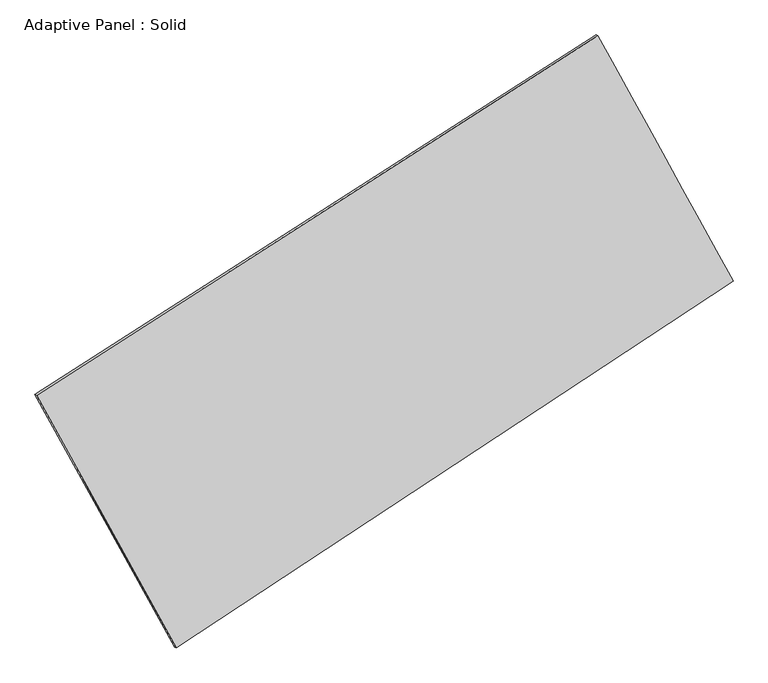
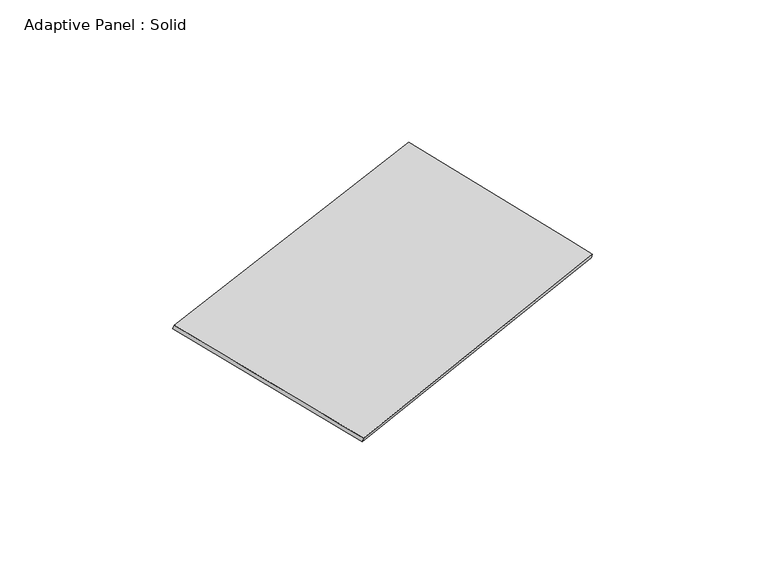
"""IFC4 building model written with IfcOpenShell, lengths in millimetres: plate geometry, Adaptive Panel : Solid."""

import ifcopenshell
import ifcopenshell.guid

model = None  # the IFC model being written
_history = None  # IfcOwnerHistory: only IFC2X3 demands one
_inside = {}  # id of a spatial element -> (the spatial element, [elements in it])
_under = {}  # id of a project, library or spatial element -> (it, [spatial elements below it])
_declared = {}  # id of a project -> (the project, [libraries it declares])
_typed = {}  # id of a type object -> (the type object, [elements of that type])
_made_of = {}  # id of a material, layer set ... -> (it, [elements and type objects made of it])


def new_model(schema):
    """Start an empty IFC model of exactly this schema.

    Asked for "IFC4X3", IfcOpenShell would pick the latest addendum, in which some entities
    have other attributes; the version numbers below select the first issue.
    IFC2X3 requires an IfcOwnerHistory on every rooted entity: one is made here for all.
    """
    global model, _history
    if schema == "IFC4X3":
        model = ifcopenshell.file(schema_version=(4, 3, 0, 0))
    else:
        model = ifcopenshell.file(schema=schema)
    _inside.clear()
    _under.clear()
    _declared.clear()
    _typed.clear()
    _made_of.clear()
    _history = None
    if model.schema == "IFC2X3":
        org = make("IfcOrganization", Name="unknown")
        user = make(
            "IfcPersonAndOrganization",
            ThePerson=make("IfcPerson", FamilyName="unknown"),
            TheOrganization=org,
        )
        app = make(
            "IfcApplication",
            ApplicationDeveloper=org,
            Version="unknown",
            ApplicationFullName="unknown",
            ApplicationIdentifier="unknown",
        )
        _history = make(
            "IfcOwnerHistory",
            OwningUser=user,
            OwningApplication=app,
            ChangeAction="ADDED",
            CreationDate=0,
        )
    return model


def make(cls, **values):
    """One entity of the class cls with the attributes given. An attribute that is None is left unset."""
    return model.create_entity(
        cls, **{name: value for name, value in values.items() if value is not None}
    )


def rooted(cls, **values):
    """An entity with a GlobalId (a new one), such as an element, a storey or a relation."""
    return make(cls, GlobalId=ifcopenshell.guid.new(), OwnerHistory=_history, **values)


def si_unit(unit_type, name, prefix=None):
    """IfcSIUnit, for example si_unit("LENGTHUNIT", "METRE", prefix="MILLI")."""
    return make("IfcSIUnit", UnitType=unit_type, Prefix=prefix, Name=name)


def assignment(units):
    """IfcUnitAssignment: the units of a project."""
    return None if units is None else make("IfcUnitAssignment", Units=units)


def point(xyz):
    """IfcCartesianPoint."""
    return None if xyz is None else make("IfcCartesianPoint", Coordinates=xyz)


def direction(xyz):
    """IfcDirection."""
    return None if xyz is None else make("IfcDirection", DirectionRatios=xyz)


def frame(location, z_axis=None, x_axis=None):
    """IfcAxis2Placement3D, a coordinate frame: its origin and axes. An axis left out is left unset."""
    return make(
        "IfcAxis2Placement3D",
        Location=point(location),
        Axis=direction(z_axis),
        RefDirection=direction(x_axis),
    )


def origin():
    """The frame at (0, 0, 0) with its axes left unset."""
    return frame((0.0, 0.0, 0.0))


def place(relative_to, where):
    """IfcLocalPlacement: puts the frame where relative to a parent placement (None: the world)."""
    return make(
        "IfcLocalPlacement", PlacementRelTo=relative_to, RelativePlacement=where
    )


def context(
    kind, dimensions, precision=None, world=None, true_north=None, identifier=None
):
    """IfcGeometricRepresentationContext, for example the 3D "Model" context."""
    return make(
        "IfcGeometricRepresentationContext",
        ContextIdentifier=identifier,
        ContextType=kind,
        CoordinateSpaceDimension=dimensions,
        Precision=precision,
        WorldCoordinateSystem=world,
        TrueNorth=true_north,
    )


def project(units=None, contexts=None):
    """IfcProject with its units and contexts."""
    return rooted(
        "IfcProject",
        Name="project",
        RepresentationContexts=contexts,
        UnitsInContext=assignment(units),
    )


def spatial(cls, under=None, at=None, **own):
    """A site, building, storey or space (cls), placed at a placement, below another one or the project."""
    s = rooted(cls, ObjectPlacement=at, **own)
    if under is not None:
        _under.setdefault(under.id(), (under, []))[1].append(s)
    return s


def shape(context_of_items, identifier, shape_type, items):
    """IfcShapeRepresentation: the items that make up one representation, for example the "Body"."""
    return make(
        "IfcShapeRepresentation",
        ContextOfItems=context_of_items,
        RepresentationIdentifier=identifier,
        RepresentationType=shape_type,
        Items=items,
    )


def source(mapping_origin, context_of_items, identifier, shape_type, items):
    """IfcRepresentationMap: a shape defined once, which mapped items show again and again."""
    return make(
        "IfcRepresentationMap",
        MappingOrigin=mapping_origin,
        MappedRepresentation=shape(context_of_items, identifier, shape_type, items),
    )


def transform(
    local_origin,
    x_axis=None,
    y_axis=None,
    z_axis=None,
    scale=None,
    scale2=None,
    scale3=None,
    uniform=True,
):
    """IfcCartesianTransformationOperator3D, or its non-uniform kind. x_axis, y_axis, z_axis: its Axis1, 2, 3."""
    if uniform:
        return make(
            "IfcCartesianTransformationOperator3D",
            Axis1=direction(x_axis),
            Axis2=direction(y_axis),
            LocalOrigin=point(local_origin),
            Scale=scale,
            Axis3=direction(z_axis),
        )
    return make(
        "IfcCartesianTransformationOperator3DnonUniform",
        Axis1=direction(x_axis),
        Axis2=direction(y_axis),
        LocalOrigin=point(local_origin),
        Scale=scale,
        Axis3=direction(z_axis),
        Scale2=scale2,
        Scale3=scale3,
    )


def mapped(mapping_source, mapping_target):
    """IfcMappedItem: shows the shape of a source again, moved by a transform."""
    return make(
        "IfcMappedItem", MappingSource=mapping_source, MappingTarget=mapping_target
    )


def made_of(thing, what):
    """Note that an element or type object is made of a material, layer set ...; save() writes the relation."""
    if what is not None:
        _made_of.setdefault(what.id(), (what, []))[1].append(thing)
    return thing


def element(
    cls,
    number,
    at=None,
    inside=None,
    cuts=None,
    type_object=None,
    material=None,
    context=None,
    identifier="Body",
    shape_type=None,
    held_by="IfcProductDefinitionShape",
    body=None,
    shapes=None,
    **own,
):
    """One element of the class cls, such as IfcWall. Its Tag is "e" and its number.

    at: its placement. inside: the storey or other place that contains it. cuts: it is an
    opening in that element (IfcRelVoidsElement). A single representation is given by context,
    identifier, shape_type and body (its items); several are given by shapes. held_by: the class
    of the entity that holds the representations. save() writes the other relations.
    """
    e = rooted(cls, Tag="e%d" % number, ObjectPlacement=at, **own)
    if body is not None:
        shapes = [shape(context, identifier, shape_type, body)]
    if shapes is not None:
        e.Representation = make(held_by, Representations=shapes)
    if inside is not None:
        _inside.setdefault(inside.id(), (inside, []))[1].append(e)
    if cuts is not None:
        rooted(
            "IfcRelVoidsElement", RelatingBuildingElement=cuts, RelatedOpeningElement=e
        )
    if type_object is not None:
        _typed.setdefault(type_object.id(), (type_object, []))[1].append(e)
    return made_of(e, material)


def aggregate(whole, parts):
    """IfcRelAggregates: a whole, such as a stair, and the parts it consists of."""
    return rooted("IfcRelAggregates", RelatingObject=whole, RelatedObjects=parts)


def save(model, path):
    """Write the relations noted so far, then the file.

    IfcRelAggregates (storeys below a building ...), IfcRelContainedInSpatialStructure (elements
    in a storey), IfcRelDefinesByType, IfcRelAssociatesMaterial and IfcRelDeclares: one each for
    every whole, place, type object, material and project.
    """
    for whole, parts in _under.values():
        aggregate(whole, parts)
    for where, things in _inside.values():
        rooted(
            "IfcRelContainedInSpatialStructure",
            RelatedElements=things,
            RelatingStructure=where,
        )
    for kind, things in _typed.values():
        rooted("IfcRelDefinesByType", RelatedObjects=things, RelatingType=kind)
    for what, things in _made_of.values():
        rooted("IfcRelAssociatesMaterial", RelatedObjects=things, RelatingMaterial=what)
    for by, libraries in _declared.values():
        rooted("IfcRelDeclares", RelatingContext=by, RelatedDefinitions=libraries)
    model.write(path)


def plane_surface(at):
    """IfcPlane: the flat surface through the origin of the frame at, square to its z axis."""
    return make("IfcPlane", Position=at)


def spline_surface(u_degree, v_degree, points, u_multiplicities, v_multiplicities, u_knots, v_knots, weights=None):
    """IfcBSplineSurfaceWithKnots; with weights, IfcRationalBSplineSurfaceWithKnots. points: one row for each step in u."""
    own = dict(
        UDegree=u_degree,
        VDegree=v_degree,
        ControlPointsList=[[point(p) for p in row] for row in points],
        SurfaceForm="UNSPECIFIED",
        UClosed=False,
        VClosed=False,
        SelfIntersect=False,
        UMultiplicities=u_multiplicities,
        VMultiplicities=v_multiplicities,
        UKnots=u_knots,
        VKnots=v_knots,
        KnotSpec="UNSPECIFIED",
    )
    if weights is None:
        return make("IfcBSplineSurfaceWithKnots", **own)
    return make("IfcRationalBSplineSurfaceWithKnots", WeightsData=weights, **own)


def advanced_brep(points, edges, surfaces, faces):
    """IfcAdvancedBrep: a solid bounded by faces that lie on surfaces and meet in shared edges.

    An edge is (start, end): straight between two places in points (the first is 0);
    or (start, end, curve); or (start, end, curve, False) where it runs against its curve.
    A face is (place in surfaces, loops), or (place, loops, False) where it looks against
    its surface's normal. A loop lists edges by number (the first is 1), with a minus sign
    where the edge is run from its end to its start. The first loop is the outer one.
    """
    corners = [point(p) for p in points]
    vertices = [make("IfcVertexPoint", VertexGeometry=c) for c in corners]
    made = []
    for start, end, *more in edges:
        made.append(
            make(
                "IfcEdgeCurve",
                EdgeStart=vertices[start],
                EdgeEnd=vertices[end],
                EdgeGeometry=more[0] if more else make("IfcPolyline", Points=[corners[start], corners[end]]),
                SameSense=more[1] if len(more) > 1 else True,
            )
        )
    hull = []
    for where, loops, *sense in faces:
        bounds = []
        for j, loop in enumerate(loops):
            ring = [make("IfcOrientedEdge", EdgeElement=made[abs(k) - 1], Orientation=k > 0) for k in loop]
            bounds.append(
                make(
                    "IfcFaceOuterBound" if j == 0 else "IfcFaceBound",
                    Bound=make("IfcEdgeLoop", EdgeList=ring),
                    Orientation=True,
                )
            )
        hull.append(make("IfcAdvancedFace", Bounds=bounds, FaceSurface=surfaces[where], SameSense=sense[0] if sense else True))
    return make("IfcAdvancedBrep", Outer=make("IfcClosedShell", CfsFaces=hull))


def adaptive_panel_solid_a30ecb26(model_context):
    return source(origin(), model_context, "Body", "AdvancedBrep", [
        advanced_brep(
        [(1188.1477662, 2542.1530061, 664.9658988), (-3681.4193119, -580.5099256, 1737.8464481), (-3666.752956, -586.8900191, 1785.2193561), (1202.814122, 2535.7729127, 712.3388069), (-2470.2406725, -2772.9110343, 1081.5682911), (-2455.5743166, -2779.2911278, 1128.9411991), (2360.22164, 411.0193809, 0.7418822), (2374.8879958, 404.6392875, 48.1147902)],
        [
            (0, 1),
            (1, 2),
            (2, 3),
            (3, 0),
            (1, 4),
            (4, 5),
            (5, 2),
            (4, 6),
            (6, 7),
            (7, 5),
            (6, 0),
            (3, 7),
        ],
        [
            plane_surface(frame((-1246.6357728, 980.8215403, 1201.4061735), z_axis=(-0.47960066846498933, 0.837679140679858, 0.2612984042771602), x_axis=(-0.8276744803523219, -0.530755276164289, 0.18235622116419126))),
            plane_surface(frame((-3075.8299922, -1676.7104799, 1409.7073696), z_axis=(-0.8345926016357498, -0.5175462330902928, 0.18868250027206912), x_axis=(0.467769840434671, -0.8467282062490601, -0.2534614785760782))),
            plane_surface(frame((-55.0095162, -1180.9458267, 541.1550867), z_axis=(0.4891239315201073, -0.8314874871245153, -0.2634128667504165), x_axis=(0.8207412210251228, 0.5409798830090189, -0.18364262655968178))),
            plane_surface(frame((1774.1847031, 1476.5861935, 332.8538905), z_axis=(0.8344868948215031, 0.517737992111181, -0.18862394836247176), x_axis=(-0.4648788289527912, 0.8452700177031204, 0.2634507004425079))),
            spline_surface(1, 1, [[(-3666.752956, -586.8900191, 1785.2193561), (1202.814122, 2535.7729127, 712.3388069)], [(-2455.5743166, -2779.2911278, 1128.9411991), (2374.8879958, 404.6392875, 48.1147902)]], [2, 2], [2, 2], [0.0, 1.0], [0.0, 1.0]),
            spline_surface(1, 1, [[(2360.22164, 411.0193809, 0.7418822), (1188.1477662, 2542.1530061, 664.9658988)], [(-2470.2406725, -2772.9110343, 1081.5682911), (-3681.4193119, -580.5099256, 1737.8464481)]], [2, 2], [2, 2], [0.0, 1.0], [0.0, 1.0]),
        ],
        [
            (0, [[1, 2, 3, 4]]),
            (1, [[5, 6, 7, -2]]),
            (2, [[8, 9, 10, -6]]),
            (3, [[11, -4, 12, -9]]),
            (4, [[-3, -7, -10, -12]]),
            (5, [[-11, -8, -5, -1]]),
        ],
    ),
    ])


if __name__ == "__main__":
    model = new_model("IFC4")
    model_context = context("Model", 3, world=origin())
    ifc_project = project(units=[si_unit("LENGTHUNIT", "METRE", prefix="MILLI")], contexts=[model_context])
    site = spatial("IfcSite", under=ifc_project)
    building = spatial("IfcBuilding", under=site)
    placement = place(None, origin())
    adaptive_panel_solid_shape = adaptive_panel_solid_a30ecb26(model_context)
    element("IfcPlate", 1, ObjectType="Adaptive Panel : Solid", at=placement, inside=building, context=model_context, shape_type="MappedRepresentation", body=[
        mapped(adaptive_panel_solid_shape, transform((0.0, 0.0, 0.0), x_axis=(1.0, 0.0, 0.0), y_axis=(0.0, 1.0, 0.0), z_axis=(0.0, 0.0, 1.0))),
    ])
    save(model, "model.ifc")
